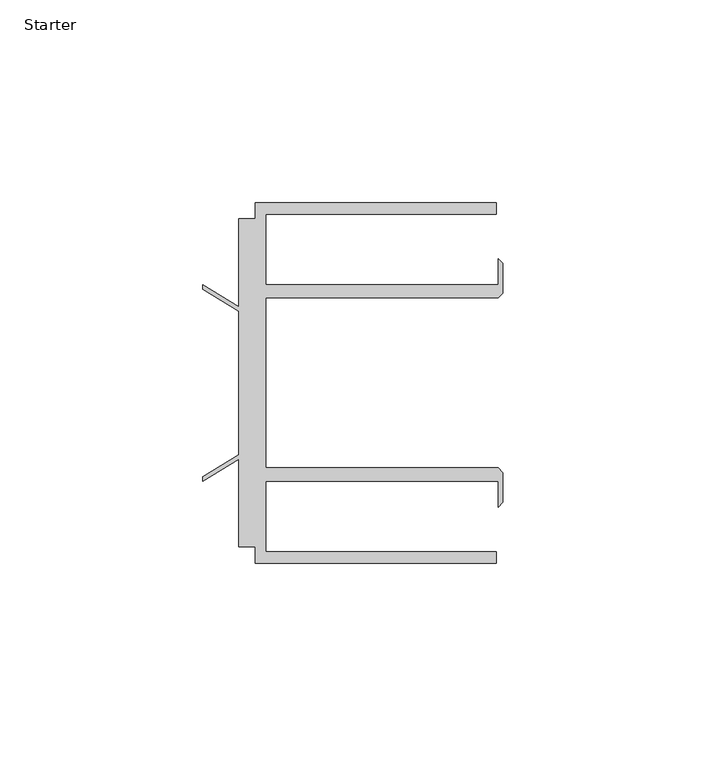
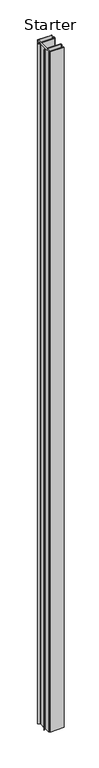
"""IFC4 building model written with IfcOpenShell, lengths in millimetres: furniture geometry, Starter."""

from ifc_helpers import new_model, si_unit, origin, origin_with_axes, place, context, project, spatial, polyline, outline, extrude, source, transform, mapped, element, save


def starter_749c12aa(model_context):
    return source(origin(), model_context, "Body", "SweptSolid", [
        extrude(outline(polyline([(33.9771533, 59.951805), (93.4771531, 59.951805), (93.4771531, 57.1518064), (36.5771534, 57.1518064), (36.5771534, 39.7518058), (93.9195633, 39.7518058), (93.9195633, 46.1177636), (95.0646531, 44.9726737), (95.0646531, 37.5968955), (93.9195633, 36.4518057), (36.5771534, 36.4518057), (36.5771534, -5.4481956), (93.9195633, -5.4481956), (95.0646531, -6.5932854), (95.0646531, -13.9690637), (93.9195633, -15.1141535), (93.9195633, -8.7481957), (36.5771534, -8.7481957), (36.5771534, -26.1481963), (93.4771531, -26.1481963), (93.4771531, -28.948195), (33.9771533, -28.948195), (33.9771533, -24.9481962), (29.9771531, -24.9481962), (29.9771531, -3.3413694), (21.0330919, -8.7481957), (21.0330919, -7.5934952), (29.9771531, -2.1866688), (29.9771531, 33.1902789), (21.0330919, 38.5971052), (21.0330919, 39.7518058), (29.9771531, 34.3449795), (29.9771531, 55.9518063), (33.9771533, 55.9518063), (33.9771533, 59.951805)])), origin_with_axes(), (0.0, 0.0, 1.0), 3048.0),
    ])


if __name__ == "__main__":
    model = new_model("IFC4")
    model_context = context("Model", 3, world=origin())
    ifc_project = project(units=[si_unit("LENGTHUNIT", "METRE", prefix="MILLI")], contexts=[model_context])
    site = spatial("IfcSite", under=ifc_project)
    building = spatial("IfcBuilding", under=site)
    placement = place(None, origin())
    starter_shape = starter_749c12aa(model_context)
    element("IfcFurniture", 1, ObjectType="Starter", at=placement, inside=building, context=model_context, shape_type="MappedRepresentation", body=[
        mapped(starter_shape, transform((0.0, 0.0, 0.0), x_axis=(1.0, 0.0, 0.0), y_axis=(0.0, 1.0, 0.0), z_axis=(0.0, 0.0, 1.0))),
    ])
    save(model, "model.ifc")
